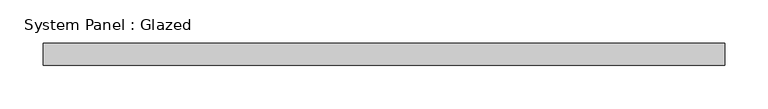
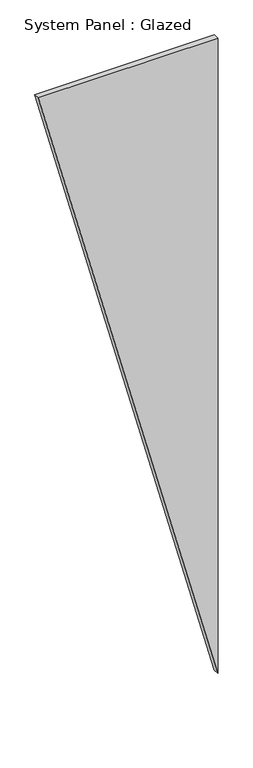
"""IFC4 building model written with IfcOpenShell, lengths in millimetres: plate geometry, System Panel : Glazed."""

from ifc_helpers import new_model, si_unit, frame, origin, place, context, project, spatial, polyline, outline, extrude, source, transform, mapped, element, save


def system_panel_glazed_ba476888(model_context):
    return source(origin(), model_context, "Body", "SweptSolid", [
        extrude(outline(polyline([(2929.2439988, -392.444282), (0.0, 392.444282), (2929.2439988, 392.444282), (2929.2439988, -392.444282)])), frame((0.0, -2.5, 0.0), z_axis=(0.0, 1.0, 0.0), x_axis=(0.0, 0.0, 1.0)), (0.0, 0.0, 1.0), 25.0),
    ])


if __name__ == "__main__":
    model = new_model("IFC4")
    model_context = context("Model", 3, world=origin())
    ifc_project = project(units=[si_unit("LENGTHUNIT", "METRE", prefix="MILLI")], contexts=[model_context])
    site = spatial("IfcSite", under=ifc_project)
    building = spatial("IfcBuilding", under=site)
    placement = place(None, origin())
    system_panel_glazed_shape = system_panel_glazed_ba476888(model_context)
    element("IfcPlate", 1, ObjectType="System Panel : Glazed", at=placement, inside=building, context=model_context, shape_type="MappedRepresentation", body=[
        mapped(system_panel_glazed_shape, transform((0.0, 0.0, 0.0), x_axis=(1.0, 0.0, 0.0), y_axis=(0.0, 1.0, 0.0), z_axis=(0.0, 0.0, 1.0))),
    ])
    save(model, "model.ifc")
